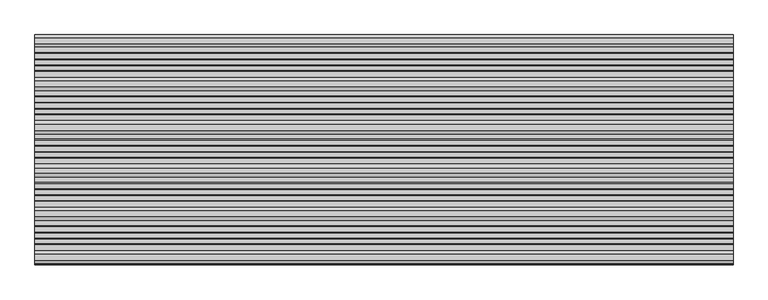
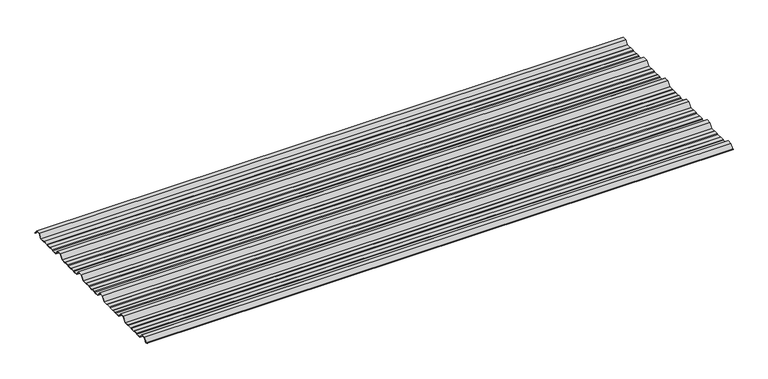
"""IFC4 building model written with IfcOpenShell, lengths in millimetres: beam geometry."""

import ifcopenshell
import ifcopenshell.guid

model = None  # the IFC model being written
_history = None  # IfcOwnerHistory: only IFC2X3 demands one
_inside = {}  # id of a spatial element -> (the spatial element, [elements in it])
_under = {}  # id of a project, library or spatial element -> (it, [spatial elements below it])
_declared = {}  # id of a project -> (the project, [libraries it declares])
_typed = {}  # id of a type object -> (the type object, [elements of that type])
_made_of = {}  # id of a material, layer set ... -> (it, [elements and type objects made of it])


def new_model(schema):
    """Start an empty IFC model of exactly this schema.

    Asked for "IFC4X3", IfcOpenShell would pick the latest addendum, in which some entities
    have other attributes; the version numbers below select the first issue.
    IFC2X3 requires an IfcOwnerHistory on every rooted entity: one is made here for all.
    """
    global model, _history
    if schema == "IFC4X3":
        model = ifcopenshell.file(schema_version=(4, 3, 0, 0))
    else:
        model = ifcopenshell.file(schema=schema)
    _inside.clear()
    _under.clear()
    _declared.clear()
    _typed.clear()
    _made_of.clear()
    _history = None
    if model.schema == "IFC2X3":
        org = make("IfcOrganization", Name="unknown")
        user = make(
            "IfcPersonAndOrganization",
            ThePerson=make("IfcPerson", FamilyName="unknown"),
            TheOrganization=org,
        )
        app = make(
            "IfcApplication",
            ApplicationDeveloper=org,
            Version="unknown",
            ApplicationFullName="unknown",
            ApplicationIdentifier="unknown",
        )
        _history = make(
            "IfcOwnerHistory",
            OwningUser=user,
            OwningApplication=app,
            ChangeAction="ADDED",
            CreationDate=0,
        )
    return model


def make(cls, **values):
    """One entity of the class cls with the attributes given. An attribute that is None is left unset."""
    return model.create_entity(
        cls, **{name: value for name, value in values.items() if value is not None}
    )


def rooted(cls, **values):
    """An entity with a GlobalId (a new one), such as an element, a storey or a relation."""
    return make(cls, GlobalId=ifcopenshell.guid.new(), OwnerHistory=_history, **values)


def si_unit(unit_type, name, prefix=None):
    """IfcSIUnit, for example si_unit("LENGTHUNIT", "METRE", prefix="MILLI")."""
    return make("IfcSIUnit", UnitType=unit_type, Prefix=prefix, Name=name)


def assignment(units):
    """IfcUnitAssignment: the units of a project."""
    return None if units is None else make("IfcUnitAssignment", Units=units)


def point(xyz):
    """IfcCartesianPoint."""
    return None if xyz is None else make("IfcCartesianPoint", Coordinates=xyz)


def direction(xyz):
    """IfcDirection."""
    return None if xyz is None else make("IfcDirection", DirectionRatios=xyz)


def frame(location, z_axis=None, x_axis=None):
    """IfcAxis2Placement3D, a coordinate frame: its origin and axes. An axis left out is left unset."""
    return make(
        "IfcAxis2Placement3D",
        Location=point(location),
        Axis=direction(z_axis),
        RefDirection=direction(x_axis),
    )


def frame_2d(location, x_axis=None):
    """IfcAxis2Placement2D, a coordinate frame in the plane: its origin and x axis."""
    return make(
        "IfcAxis2Placement2D", Location=point(location), RefDirection=direction(x_axis)
    )


def origin():
    """The frame at (0, 0, 0) with its axes left unset."""
    return frame((0.0, 0.0, 0.0))


def place(relative_to, where):
    """IfcLocalPlacement: puts the frame where relative to a parent placement (None: the world)."""
    return make(
        "IfcLocalPlacement", PlacementRelTo=relative_to, RelativePlacement=where
    )


def context(
    kind, dimensions, precision=None, world=None, true_north=None, identifier=None
):
    """IfcGeometricRepresentationContext, for example the 3D "Model" context."""
    return make(
        "IfcGeometricRepresentationContext",
        ContextIdentifier=identifier,
        ContextType=kind,
        CoordinateSpaceDimension=dimensions,
        Precision=precision,
        WorldCoordinateSystem=world,
        TrueNorth=true_north,
    )


def project(units=None, contexts=None):
    """IfcProject with its units and contexts."""
    return rooted(
        "IfcProject",
        Name="project",
        RepresentationContexts=contexts,
        UnitsInContext=assignment(units),
    )


def spatial(cls, under=None, at=None, **own):
    """A site, building, storey or space (cls), placed at a placement, below another one or the project."""
    s = rooted(cls, ObjectPlacement=at, **own)
    if under is not None:
        _under.setdefault(under.id(), (under, []))[1].append(s)
    return s


def polyline(points):
    """IfcPolyline through the points."""
    return make("IfcPolyline", Points=[point(p) for p in points])


def circle_curve(where, radius):
    """IfcCircle in the frame where."""
    return make("IfcCircle", Position=where, Radius=radius)


def trimmed(basis, trim1, trim2, sense, master):
    """IfcTrimmedCurve: the piece of a basis curve between two trims."""
    return make(
        "IfcTrimmedCurve",
        BasisCurve=basis,
        Trim1=trim1,
        Trim2=trim2,
        SenseAgreement=sense,
        MasterRepresentation=master,
    )


def segment(curve, same_sense, transition):
    """IfcCompositeCurveSegment."""
    return make(
        "IfcCompositeCurveSegment",
        Transition=transition,
        SameSense=same_sense,
        ParentCurve=curve,
    )


def composite_curve(segments, self_intersect=None):
    """IfcCompositeCurve: segments joined end to end."""
    return make("IfcCompositeCurve", Segments=segments, SelfIntersect=self_intersect)


def outline(outer, holes=None, kind="AREA"):
    """IfcArbitraryClosedProfileDef: a profile drawn as a closed curve; with holes, ...WithVoids."""
    if holes is None:
        return make("IfcArbitraryClosedProfileDef", ProfileType=kind, OuterCurve=outer)
    return make(
        "IfcArbitraryProfileDefWithVoids",
        ProfileType=kind,
        OuterCurve=outer,
        InnerCurves=holes,
    )


def extrude(swept, where, along, depth):
    """IfcExtrudedAreaSolid: the profile swept, set in the frame where, extruded along a direction by depth."""
    return make(
        "IfcExtrudedAreaSolid",
        SweptArea=swept,
        Position=where,
        ExtrudedDirection=direction(along),
        Depth=depth,
    )


def shape(context_of_items, identifier, shape_type, items):
    """IfcShapeRepresentation: the items that make up one representation, for example the "Body"."""
    return make(
        "IfcShapeRepresentation",
        ContextOfItems=context_of_items,
        RepresentationIdentifier=identifier,
        RepresentationType=shape_type,
        Items=items,
    )


def source(mapping_origin, context_of_items, identifier, shape_type, items):
    """IfcRepresentationMap: a shape defined once, which mapped items show again and again."""
    return make(
        "IfcRepresentationMap",
        MappingOrigin=mapping_origin,
        MappedRepresentation=shape(context_of_items, identifier, shape_type, items),
    )


def transform(
    local_origin,
    x_axis=None,
    y_axis=None,
    z_axis=None,
    scale=None,
    scale2=None,
    scale3=None,
    uniform=True,
):
    """IfcCartesianTransformationOperator3D, or its non-uniform kind. x_axis, y_axis, z_axis: its Axis1, 2, 3."""
    if uniform:
        return make(
            "IfcCartesianTransformationOperator3D",
            Axis1=direction(x_axis),
            Axis2=direction(y_axis),
            LocalOrigin=point(local_origin),
            Scale=scale,
            Axis3=direction(z_axis),
        )
    return make(
        "IfcCartesianTransformationOperator3DnonUniform",
        Axis1=direction(x_axis),
        Axis2=direction(y_axis),
        LocalOrigin=point(local_origin),
        Scale=scale,
        Axis3=direction(z_axis),
        Scale2=scale2,
        Scale3=scale3,
    )


def mapped(mapping_source, mapping_target):
    """IfcMappedItem: shows the shape of a source again, moved by a transform."""
    return make(
        "IfcMappedItem", MappingSource=mapping_source, MappingTarget=mapping_target
    )


def made_of(thing, what):
    """Note that an element or type object is made of a material, layer set ...; save() writes the relation."""
    if what is not None:
        _made_of.setdefault(what.id(), (what, []))[1].append(thing)
    return thing


def element(
    cls,
    number,
    at=None,
    inside=None,
    cuts=None,
    type_object=None,
    material=None,
    context=None,
    identifier="Body",
    shape_type=None,
    held_by="IfcProductDefinitionShape",
    body=None,
    shapes=None,
    **own,
):
    """One element of the class cls, such as IfcWall. Its Tag is "e" and its number.

    at: its placement. inside: the storey or other place that contains it. cuts: it is an
    opening in that element (IfcRelVoidsElement). A single representation is given by context,
    identifier, shape_type and body (its items); several are given by shapes. held_by: the class
    of the entity that holds the representations. save() writes the other relations.
    """
    e = rooted(cls, Tag="e%d" % number, ObjectPlacement=at, **own)
    if body is not None:
        shapes = [shape(context, identifier, shape_type, body)]
    if shapes is not None:
        e.Representation = make(held_by, Representations=shapes)
    if inside is not None:
        _inside.setdefault(inside.id(), (inside, []))[1].append(e)
    if cuts is not None:
        rooted(
            "IfcRelVoidsElement", RelatingBuildingElement=cuts, RelatedOpeningElement=e
        )
    if type_object is not None:
        _typed.setdefault(type_object.id(), (type_object, []))[1].append(e)
    return made_of(e, material)


def aggregate(whole, parts):
    """IfcRelAggregates: a whole, such as a stair, and the parts it consists of."""
    return rooted("IfcRelAggregates", RelatingObject=whole, RelatedObjects=parts)


def save(model, path):
    """Write the relations noted so far, then the file.

    IfcRelAggregates (storeys below a building ...), IfcRelContainedInSpatialStructure (elements
    in a storey), IfcRelDefinesByType, IfcRelAssociatesMaterial and IfcRelDeclares: one each for
    every whole, place, type object, material and project.
    """
    for whole, parts in _under.values():
        aggregate(whole, parts)
    for where, things in _inside.values():
        rooted(
            "IfcRelContainedInSpatialStructure",
            RelatedElements=things,
            RelatingStructure=where,
        )
    for kind, things in _typed.values():
        rooted("IfcRelDefinesByType", RelatedObjects=things, RelatingType=kind)
    for what, things in _made_of.values():
        rooted("IfcRelAssociatesMaterial", RelatedObjects=things, RelatingMaterial=what)
    for by, libraries in _declared.values():
        rooted("IfcRelDeclares", RelatingContext=by, RelatedDefinitions=libraries)
    model.write(path)


def beam_90adf3d7(model_context):
    return source(origin(), model_context, "Body", "SweptSolid", [
        extrude(outline(composite_curve([segment(polyline([(-159.5006096, -7.7896475), (-173.0, -25.7896475), (-191.1560825, -25.7896475), (-195.2826844, -23.7896475), (-212.8895196, -23.7896475), (-216.1536836, -25.7896475), (-234.9266573, -25.7896475), (-237.9681158, -23.7896475), (-253.6339196, -23.7896475), (-256.6775615, -25.7896475), (-277.0, -25.7896475), (-290.4993904, -7.7896475), (-309.5006096, -7.7896475), (-323.0, -25.7896475), (-341.1560825, -25.7896475), (-345.2826844, -23.7896475), (-362.8895196, -23.7896475), (-366.1536836, -25.7896475), (-384.9266573, -25.7896475), (-387.9681158, -23.7896475), (-403.6339196, -23.7896475), (-406.6775615, -25.7896475), (-427.0, -25.7896475), (-440.4993904, -7.7896475), (-459.5006096, -7.7896475), (-473.0, -25.7896475), (-491.1560825, -25.7896475), (-495.2826844, -23.7896475), (-512.8895196, -23.7896475), (-516.1536836, -25.7896475), (-534.9266573, -25.7896475), (-537.9681158, -23.7896475), (-553.6339196, -23.7896475), (-556.6775615, -25.7896475), (-577.0, -25.7896475), (-590.4993904, -7.7896475), (-609.5006096, -7.7896475), (-623.0, -25.7896475), (-641.1560825, -25.7896475), (-645.2826844, -23.7896475), (-662.8895196, -23.7896475), (-666.1536836, -25.7896475), (-684.9266573, -25.7896475), (-687.9681158, -23.7896475), (-703.6339196, -23.7896475), (-706.6775615, -25.7896475), (-727.0, -25.7896475), (-740.4993904, -7.7896475), (-759.5006096, -7.7896475), (-771.5000677, -23.7896475), (-775.173385, -23.7896475)]), True, "CONTINUOUS"), segment(trimmed(circle_curve(frame_2d((-775.173385, -23.2896475)), 0.5), [point((-775.173385, -23.7896475))], [point((-775.173385, -22.7896475))], False, "CARTESIAN"), True, "CONTINUOUS"), segment(polyline([(-775.173385, -22.7896475), (-771.9994581, -22.7896475), (-760.0, -6.7896475), (-740.0, -6.7896475), (-726.5006096, -24.7896475), (-706.9767126, -24.7896475), (-703.9330707, -22.7896475), (-687.6687853, -22.7896475), (-684.6273268, -24.7896475), (-666.4356788, -24.7896475), (-663.1715148, -22.7896475), (-645.0531246, -22.7896475), (-640.9265226, -24.7896475), (-623.4993904, -24.7896475), (-610.0, -6.7896475), (-590.0, -6.7896475), (-576.5006096, -24.7896475), (-556.9767126, -24.7896475), (-553.9330707, -22.7896475), (-537.6687853, -22.7896475), (-534.6273268, -24.7896475), (-516.4356788, -24.7896475), (-513.1715148, -22.7896475), (-495.0531246, -22.7896475), (-490.9265226, -24.7896475), (-473.4993904, -24.7896475), (-460.0, -6.7896475), (-440.0, -6.7896475), (-426.5006096, -24.7896475), (-406.9767126, -24.7896475), (-403.9330707, -22.7896475), (-387.6687853, -22.7896475), (-384.6273268, -24.7896475), (-366.4356788, -24.7896475), (-363.1715148, -22.7896475), (-345.0531246, -22.7896475), (-340.9265226, -24.7896475), (-323.4993904, -24.7896475), (-310.0, -6.7896475), (-290.0, -6.7896475), (-276.5006096, -24.7896475), (-256.9767126, -24.7896475), (-253.9330707, -22.7896475), (-237.6687853, -22.7896475), (-234.6273268, -24.7896475), (-216.4356788, -24.7896475), (-213.1715148, -22.7896475), (-195.0531246, -22.7896475), (-190.9265226, -24.7896475), (-173.4993904, -24.7896475), (-160.0, -6.7896475), (-140.0, -6.7896475), (-126.5006096, -24.7896475), (-106.9767126, -24.7896475), (-103.9330707, -22.7896475), (-87.6687853, -22.7896475), (-84.6273268, -24.7896475), (-66.4356788, -24.7896475), (-63.1715148, -22.7896475), (-45.0531246, -22.7896475), (-40.9265226, -24.7896475), (-20.999431, -24.7896475), (-8.9999729, -8.7896475), (8.9999729, -8.7896475), (20.6572433, -24.3333765)]), True, "CONTINUOUS"), segment(trimmed(circle_curve(frame_2d((20.2574362, -24.6332183)), 0.4997507), [point((20.6572433, -24.3333765))], [point((19.8576291, -24.9330601))], False, "CARTESIAN"), True, "CONTINUOUS"), segment(polyline([(19.8576291, -24.9330601), (8.5005825, -9.7896475), (-8.5005825, -9.7896475), (-20.5000406, -25.7896475), (-41.1560825, -25.7896475), (-45.2826844, -23.7896475), (-62.8895196, -23.7896475), (-66.1536836, -25.7896475), (-84.9266573, -25.7896475), (-87.9681158, -23.7896475), (-103.6339196, -23.7896475), (-106.6775615, -25.7896475), (-127.0, -25.7896475), (-140.4993904, -7.7896475), (-159.5006096, -7.7896475)]), True, "CONTINUOUS")], self_intersect=False)), frame((-1207.6157505, 0.0, 0.0), z_axis=(1.0, 0.0, 0.0), x_axis=(0.0, 1.0, 0.0)), (0.0, 0.0, 1.0), 2415.231501),
    ])


if __name__ == "__main__":
    model = new_model("IFC4")
    model_context = context("Model", 3, world=origin())
    ifc_project = project(units=[si_unit("LENGTHUNIT", "METRE", prefix="MILLI")], contexts=[model_context])
    site = spatial("IfcSite", under=ifc_project)
    building = spatial("IfcBuilding", under=site)
    placement = place(None, origin())
    beam_shape = beam_90adf3d7(model_context)
    element("IfcBeam", 1, at=placement, inside=building, context=model_context, shape_type="MappedRepresentation", body=[
        mapped(beam_shape, transform((0.0, 0.0, 0.0), x_axis=(1.0, 0.0, 0.0), y_axis=(0.0, 1.0, 0.0), z_axis=(0.0, 0.0, 1.0))),
    ])
    save(model, "model.ifc")
